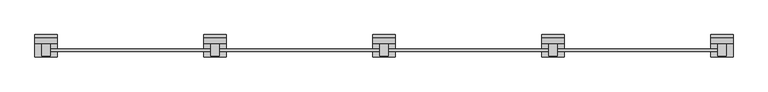
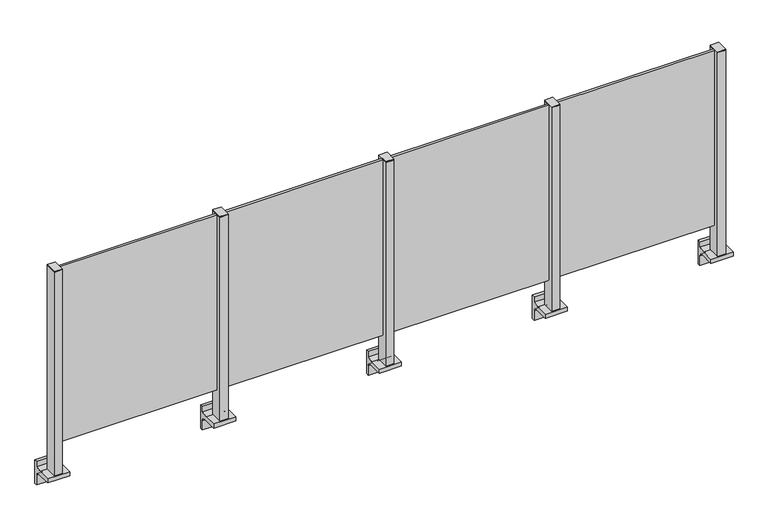
"""IFC4 building model written with IfcOpenShell, lengths in millimetres: railing geometry."""

from ifc_helpers import new_model, si_unit, point, frame, frame_2d, origin, place, context, project, spatial, polyline, circle_curve, trimmed, segment, composite_curve, outline, extrude, source, transform, mapped, element, save


def railing_b23feb46(model_context):
    return source(origin(), model_context, "Body", "SweptSolid", [
        extrude(outline(polyline([(44710.0, 4810.3094929), (44710.0, 4823.5094929), (45590.0, 4823.5094929), (45590.0, 4810.3094929), (44710.0, 4810.3094929)])), frame((0.0, 0.0, 95.0), z_axis=(0.0, 0.0, 1.0), x_axis=(1.0, 0.0, 0.0)), (0.0, 0.0, 1.0), 1005.0),
        extrude(outline(composite_curve([segment(polyline([(4850.1846828, -70.0), (4884.1846828, -63.0), (4884.1846828, -32.5), (4900.1846828, -32.5), (4900.1846828, -167.5), (4884.1846828, -167.5), (4884.1846828, -113.5)]), True, "CONTINUOUS"), segment(trimmed(circle_curve(frame_2d((4864.1846828, -113.5)), 20.0), [point((4884.1846828, -113.5))], [point((4864.1846828, -93.5))], True, "CARTESIAN"), True, "CONTINUOUS"), segment(polyline([(4864.1846828, -93.5), (4780.1846828, -93.5), (4780.1846828, -70.0), (4850.1846828, -70.0)]), True, "CONTINUOUS")], self_intersect=False)), frame((44640.0, 0.0, 0.0), z_axis=(1.0, 0.0, 0.0), x_axis=(0.0, 1.0, 0.0)), (0.0, 0.0, 1.0), 120.0),
        extrude(outline(polyline([(44722.5, 4850.1846828), (44722.5, 4785.1846828), (44677.5, 4785.1846828), (44677.5, 4850.1846828), (44722.5, 4850.1846828)])), frame((0.0, 0.0, -70.0), z_axis=(0.0, 0.0, 1.0), x_axis=(1.0, 0.0, 0.0)), (0.0, 0.0, 1.0), 1170.0),
        extrude(outline(polyline([(44722.5, 4850.1846828), (44722.5, 4785.1846828), (44677.5, 4785.1846828), (44677.5, 4850.1846828), (44722.5, 4850.1846828)])), frame((0.0, 0.0, 1100.0), z_axis=(0.0, 0.0, 1.0), x_axis=(1.0, 0.0, 0.0)), (0.0, 0.0, 1.0), 5.0),
        extrude(outline(polyline([(43810.0, 4810.3094929), (43810.0, 4823.5094929), (44690.0, 4823.5094929), (44690.0, 4810.3094929), (43810.0, 4810.3094929)])), frame((0.0, 0.0, 95.0), z_axis=(0.0, 0.0, 1.0), x_axis=(1.0, 0.0, 0.0)), (0.0, 0.0, 1.0), 1005.0),
        extrude(outline(composite_curve([segment(polyline([(4850.1846828, -70.0), (4884.1846828, -63.0), (4884.1846828, -32.5), (4900.1846828, -32.5), (4900.1846828, -167.5), (4884.1846828, -167.5), (4884.1846828, -113.5)]), True, "CONTINUOUS"), segment(trimmed(circle_curve(frame_2d((4864.1846828, -113.5)), 20.0), [point((4884.1846828, -113.5))], [point((4864.1846828, -93.5))], True, "CARTESIAN"), True, "CONTINUOUS"), segment(polyline([(4864.1846828, -93.5), (4780.1846828, -93.5), (4780.1846828, -70.0), (4850.1846828, -70.0)]), True, "CONTINUOUS")], self_intersect=False)), frame((43740.0, 0.0, 0.0), z_axis=(1.0, 0.0, 0.0), x_axis=(0.0, 1.0, 0.0)), (0.0, 0.0, 1.0), 120.0),
        extrude(outline(polyline([(43822.5, 4850.1846828), (43822.5, 4785.1846828), (43777.5, 4785.1846828), (43777.5, 4850.1846828), (43822.5, 4850.1846828)])), frame((0.0, 0.0, -70.0), z_axis=(0.0, 0.0, 1.0), x_axis=(1.0, 0.0, 0.0)), (0.0, 0.0, 1.0), 1170.0),
        extrude(outline(polyline([(43822.5, 4850.1846828), (43822.5, 4785.1846828), (43777.5, 4785.1846828), (43777.5, 4850.1846828), (43822.5, 4850.1846828)])), frame((0.0, 0.0, 1100.0), z_axis=(0.0, 0.0, 1.0), x_axis=(1.0, 0.0, 0.0)), (0.0, 0.0, 1.0), 5.0),
        extrude(outline(polyline([(42910.0, 4810.3094929), (42910.0, 4823.5094929), (43790.0, 4823.5094929), (43790.0, 4810.3094929), (42910.0, 4810.3094929)])), frame((0.0, 0.0, 95.0), z_axis=(0.0, 0.0, 1.0), x_axis=(1.0, 0.0, 0.0)), (0.0, 0.0, 1.0), 1005.0),
        extrude(outline(composite_curve([segment(polyline([(4850.1846828, -70.0), (4884.1846828, -63.0), (4884.1846828, -32.5), (4900.1846828, -32.5), (4900.1846828, -167.5), (4884.1846828, -167.5), (4884.1846828, -113.5)]), True, "CONTINUOUS"), segment(trimmed(circle_curve(frame_2d((4864.1846828, -113.5)), 20.0), [point((4884.1846828, -113.5))], [point((4864.1846828, -93.5))], True, "CARTESIAN"), True, "CONTINUOUS"), segment(polyline([(4864.1846828, -93.5), (4780.1846828, -93.5), (4780.1846828, -70.0), (4850.1846828, -70.0)]), True, "CONTINUOUS")], self_intersect=False)), frame((42840.0, 0.0, 0.0), z_axis=(1.0, 0.0, 0.0), x_axis=(0.0, 1.0, 0.0)), (0.0, 0.0, 1.0), 120.0),
        extrude(outline(polyline([(42922.5, 4850.1846828), (42922.5, 4785.1846828), (42877.5, 4785.1846828), (42877.5, 4850.1846828), (42922.5, 4850.1846828)])), frame((0.0, 0.0, -70.0), z_axis=(0.0, 0.0, 1.0), x_axis=(1.0, 0.0, 0.0)), (0.0, 0.0, 1.0), 1170.0),
        extrude(outline(polyline([(42922.5, 4850.1846828), (42922.5, 4785.1846828), (42877.5, 4785.1846828), (42877.5, 4850.1846828), (42922.5, 4850.1846828)])), frame((0.0, 0.0, 1100.0), z_axis=(0.0, 0.0, 1.0), x_axis=(1.0, 0.0, 0.0)), (0.0, 0.0, 1.0), 5.0),
        extrude(outline(polyline([(42010.0, 4810.3094929), (42010.0, 4823.5094929), (42890.0, 4823.5094929), (42890.0, 4810.3094929), (42010.0, 4810.3094929)])), frame((0.0, 0.0, 95.0), z_axis=(0.0, 0.0, 1.0), x_axis=(1.0, 0.0, 0.0)), (0.0, 0.0, 1.0), 1005.0),
        extrude(outline(composite_curve([segment(polyline([(4850.1846828, -70.0), (4884.1846828, -63.0), (4884.1846828, -32.5), (4900.1846828, -32.5), (4900.1846828, -167.5), (4884.1846828, -167.5), (4884.1846828, -113.5)]), True, "CONTINUOUS"), segment(trimmed(circle_curve(frame_2d((4864.1846828, -113.5)), 20.0), [point((4884.1846828, -113.5))], [point((4864.1846828, -93.5))], True, "CARTESIAN"), True, "CONTINUOUS"), segment(polyline([(4864.1846828, -93.5), (4780.1846828, -93.5), (4780.1846828, -70.0), (4850.1846828, -70.0)]), True, "CONTINUOUS")], self_intersect=False)), frame((45540.0, 0.0, 0.0), z_axis=(1.0, 0.0, 0.0), x_axis=(0.0, 1.0, 0.0)), (0.0, 0.0, 1.0), 120.0),
        extrude(outline(polyline([(45622.5, 4850.1846828), (45622.5, 4785.1846828), (45577.5, 4785.1846828), (45577.5, 4850.1846828), (45622.5, 4850.1846828)])), frame((0.0, 0.0, -70.0), z_axis=(0.0, 0.0, 1.0), x_axis=(1.0, 0.0, 0.0)), (0.0, 0.0, 1.0), 1170.0),
        extrude(outline(polyline([(45622.5, 4850.1846828), (45622.5, 4785.1846828), (45577.5, 4785.1846828), (45577.5, 4850.1846828), (45622.5, 4850.1846828)])), frame((0.0, 0.0, 1100.0), z_axis=(0.0, 0.0, 1.0), x_axis=(1.0, 0.0, 0.0)), (0.0, 0.0, 1.0), 5.0),
        extrude(outline(composite_curve([segment(polyline([(4850.1846828, -70.0), (4884.1846828, -63.0), (4884.1846828, -32.5), (4900.1846828, -32.5), (4900.1846828, -167.5), (4884.1846828, -167.5), (4884.1846828, -113.5)]), True, "CONTINUOUS"), segment(trimmed(circle_curve(frame_2d((4864.1846828, -113.5)), 20.0), [point((4884.1846828, -113.5))], [point((4864.1846828, -93.5))], True, "CARTESIAN"), True, "CONTINUOUS"), segment(polyline([(4864.1846828, -93.5), (4780.1846828, -93.5), (4780.1846828, -70.0), (4850.1846828, -70.0)]), True, "CONTINUOUS")], self_intersect=False)), frame((41940.0, 0.0, 0.0), z_axis=(1.0, 0.0, 0.0), x_axis=(0.0, 1.0, 0.0)), (0.0, 0.0, 1.0), 120.0),
        extrude(outline(polyline([(42022.5, 4850.1846828), (42022.5, 4785.1846828), (41977.5, 4785.1846828), (41977.5, 4850.1846828), (42022.5, 4850.1846828)])), frame((0.0, 0.0, -70.0), z_axis=(0.0, 0.0, 1.0), x_axis=(1.0, 0.0, 0.0)), (0.0, 0.0, 1.0), 1170.0),
        extrude(outline(polyline([(42022.5, 4850.1846828), (42022.5, 4785.1846828), (41977.5, 4785.1846828), (41977.5, 4850.1846828), (42022.5, 4850.1846828)])), frame((0.0, 0.0, 1100.0), z_axis=(0.0, 0.0, 1.0), x_axis=(1.0, 0.0, 0.0)), (0.0, 0.0, 1.0), 5.0),
    ])


if __name__ == "__main__":
    model = new_model("IFC4")
    model_context = context("Model", 3, world=origin())
    ifc_project = project(units=[si_unit("LENGTHUNIT", "METRE", prefix="MILLI")], contexts=[model_context])
    site = spatial("IfcSite", under=ifc_project)
    building = spatial("IfcBuilding", under=site)
    placement = place(None, origin())
    railing_shape = railing_b23feb46(model_context)
    element("IfcRailing", 1, at=placement, inside=building, context=model_context, shape_type="MappedRepresentation", body=[
        mapped(railing_shape, transform((0.0, 0.0, 0.0), x_axis=(1.0, 0.0, 0.0), y_axis=(0.0, 1.0, 0.0), z_axis=(0.0, 0.0, 1.0))),
    ])
    save(model, "model.ifc")
